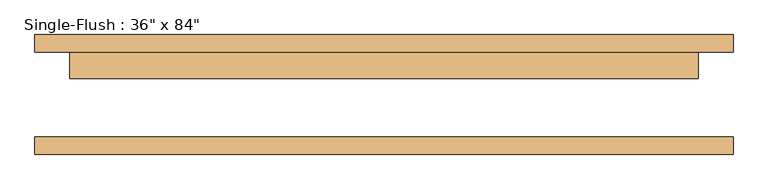
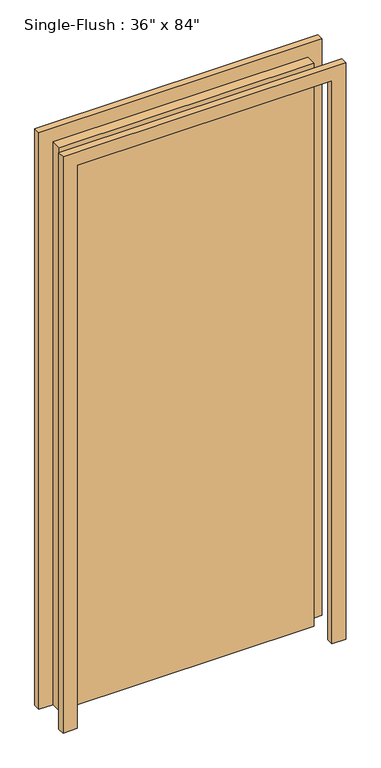
"""IFC4 building model written with IfcOpenShell, lengths in millimetres: door geometry."""

from ifc_helpers import new_model, si_unit, frame, origin, origin_with_axes, place, context, project, spatial, polyline, outline, extrude, source, transform, mapped, element, save


def door_dbf27f4e(model_context):
    return source(origin(), model_context, "Body", "SweptSolid", [
        extrude(outline(polyline([(457.2, 23.8125), (-457.2, 23.8125), (-457.2, 61.9125), (457.2, 61.9125), (457.2, 23.8125)])), origin_with_axes(), (0.0, 0.0, 1.0), 2133.6),
        extrude(outline(polyline([(2184.4, -508.0), (0.0, -508.0), (0.0, -457.2), (2133.6, -457.2), (2133.6, 457.2), (0.0, 457.2), (0.0, 508.0), (2184.4, 508.0), (2184.4, -508.0)])), frame((0.0, 61.9125, 0.0), z_axis=(0.0, 1.0, 0.0), x_axis=(0.0, 0.0, 1.0)), (0.0, 0.0, 1.0), 25.4),
        extrude(outline(polyline([(2184.4, 508.0), (2184.4, -508.0), (0.0, -508.0), (0.0, -457.2), (2133.6, -457.2), (2133.6, 457.2), (0.0, 457.2), (0.0, 508.0), (2184.4, 508.0)])), frame((0.0, -87.3125, 0.0), z_axis=(0.0, 1.0, 0.0), x_axis=(0.0, 0.0, 1.0)), (0.0, 0.0, 1.0), 25.4),
    ])


if __name__ == "__main__":
    model = new_model("IFC4")
    model_context = context("Model", 3, world=origin())
    ifc_project = project(units=[si_unit("LENGTHUNIT", "METRE", prefix="MILLI")], contexts=[model_context])
    site = spatial("IfcSite", under=ifc_project)
    building = spatial("IfcBuilding", under=site)
    placement = place(None, origin())
    door_shape = door_dbf27f4e(model_context)
    element("IfcDoor", 1, ObjectType="Single-Flush : 36\" x 84\"", at=placement, inside=building, context=model_context, shape_type="MappedRepresentation", body=[
        mapped(door_shape, transform((0.0, 0.0, 0.0), x_axis=(1.0, 0.0, 0.0), y_axis=(0.0, 1.0, 0.0), z_axis=(0.0, 0.0, 1.0))),
    ])
    save(model, "model.ifc")
